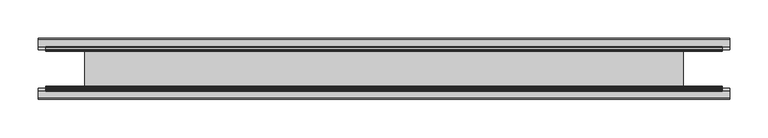
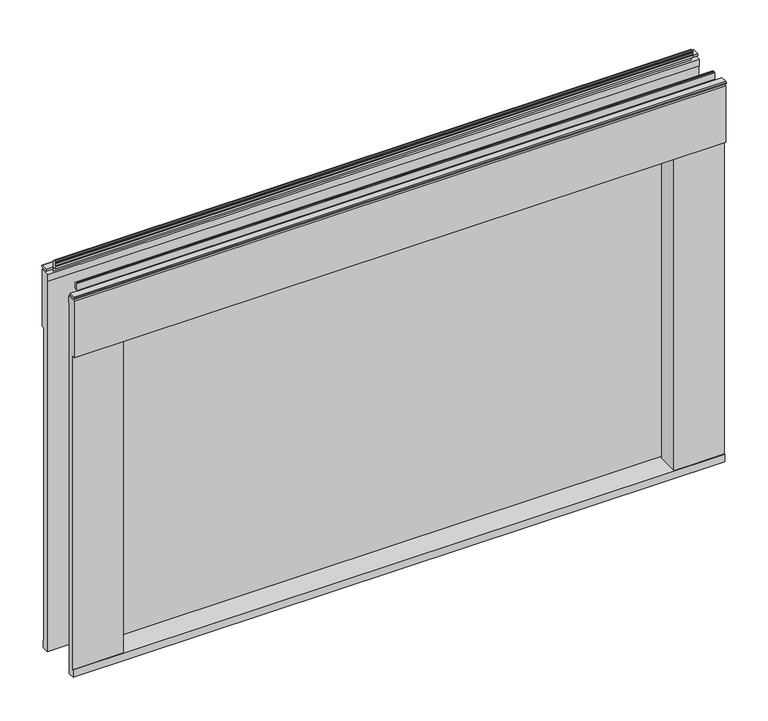
"""IFC4 building model written with IfcOpenShell, lengths in millimetres: furniture geometry."""

from ifc_helpers import new_model, si_unit, frame, origin, place, context, project, spatial, polyline, outline, extrude, faceted_brep, source, transform, mapped, element, save


def furniture_fa7d4b05(model_context):
    return source(origin(), model_context, "Body", "SolidModel", [
        extrude(outline(polyline([(-237.8709821, 36.2018407), (542.6709821, 36.2018407), (542.6709821, 33.0268415), (-237.8709821, 33.0268415), (-237.8709821, 36.2018407)])), frame((0.0, 0.0, 1146.3020109), z_axis=(0.0, 0.0, 1.0), x_axis=(1.0, 0.0, 0.0)), (0.0, 0.0, 1.0), 474.7259935),
        faceted_brep([(602.996, 8.0651816, 1686.2552003), (602.996, 8.0651816, 1143.8381927), (542.6709821, 8.0651816, 1143.8381927), (542.6709821, 8.0651816, 1621.6629947), (-237.8709821, 8.0651816, 1621.6629947), (-237.8709821, 8.0651816, 1143.8381927), (-298.196, 8.0651816, 1143.8381927), (-298.196, 8.0651816, 1686.2552003), (533.1460002, -0.3168185, 1612.9000121), (533.1460002, -0.3168185, 1154.8872108), (602.996, -0.3168185, 1154.8872108), (602.996, -0.3168185, 1612.9000121), (-228.3460002, -0.3168185, 1154.8872108), (-228.3460002, -0.3168185, 1612.9000121), (-298.196, -0.3168185, 1612.9000121), (-298.196, -0.3168185, 1154.8872108), (602.996, 9.461934, 1686.2552003), (602.996, 9.461934, 1695.7802003), (602.996, -3.7617339, 1695.7802003), (602.996, -3.7617339, 1612.9000121), (602.996, -1.206066, 1154.8872108), (602.996, -1.206066, 1143.8381927), (602.996, 59.5122543, 1695.7802003), (602.996, 59.5122543, 1686.2552003), (602.996, 60.9090067, 1686.2552003), (602.996, 60.9090067, 1143.8381927), (602.996, 70.1802522, 1143.8381927), (602.996, 70.1802522, 1154.8872108), (602.996, 69.2910068, 1154.8872108), (602.996, 69.2910068, 1612.9000121), (602.996, 72.7359223, 1612.9000121), (602.996, 72.7359223, 1695.7802003), (-298.196, -1.206066, 1143.8381927), (-237.8709821, 60.9090067, 1143.8381927), (-298.196, 60.9090067, 1143.8381927), (-298.196, 70.1802522, 1143.8381927), (542.6709821, 60.9090067, 1143.8381927), (-298.196, 9.461934, 1695.7802003), (-298.196, 9.461934, 1686.2552003), (-298.196, -1.206066, 1154.8872108), (-298.196, -3.7617339, 1612.9000121), (-298.196, -3.7617339, 1695.7802003), (-298.196, 60.9090067, 1686.2552003), (-298.196, 59.5122543, 1686.2552003), (-298.196, 59.5122543, 1695.7802003), (-298.196, 72.7359223, 1695.7802003), (-298.196, 72.7359223, 1612.9000121), (-298.196, 69.2910068, 1612.9000121), (-298.196, 69.2910068, 1154.8872108), (-298.196, 70.1802522, 1154.8872108), (-228.3460002, 28.7720935, 1612.9000121), (-237.8709821, 28.7720935, 1612.9000121), (-237.8709821, 33.0268415, 1612.9000121), (542.6709821, 33.0268415, 1612.9000121), (542.6709821, 28.7720935, 1612.9000121), (533.1460002, 28.7720935, 1612.9000121), (-228.3460002, 28.7720935, 1154.8872108), (533.1460002, 28.7720935, 1154.8872108), (542.6709821, 28.7720935, 1154.8872108), (542.6709821, 33.0268415, 1154.8872108), (-237.8709821, 33.0268415, 1154.8872108), (-237.8709821, 28.7720935, 1154.8872108), (533.1460002, 69.2910068, 1612.9000121), (533.1460002, 40.2020949, 1612.9000121), (542.6709821, 40.2020949, 1612.9000121), (542.6709821, 36.2018407, 1612.9000121), (-237.8709821, 36.2018407, 1612.9000121), (-237.8709821, 40.2020949, 1612.9000121), (-228.3460002, 40.2020949, 1612.9000121), (-228.3460002, 69.2910068, 1612.9000121), (-228.3460002, 69.2910068, 1154.8872108), (-228.3460002, 40.2020949, 1154.8872108), (-237.8709821, 40.2020949, 1154.8872108), (-237.8709821, 36.2018407, 1154.8872108), (542.6709821, 36.2018407, 1154.8872108), (542.6709821, 40.2020949, 1154.8872108), (533.1460002, 40.2020949, 1154.8872108), (533.1460002, 69.2910068, 1154.8872108), (-237.8709821, 60.9090067, 1621.6629947), (542.6709821, 60.9090067, 1621.6629947), (542.6709821, 33.0268415, 1621.0280044), (542.6709821, 36.2018407, 1621.0280044), (542.6709821, 36.2018407, 1146.3020109), (542.6709821, 33.0268415, 1146.3020109), (-237.8709821, 33.0268415, 1146.3020109), (-237.8709821, 36.2018407, 1146.3020109), (-237.8709821, 36.2018407, 1621.0280044), (-237.8709821, 33.0268415, 1621.0280044)], [[[0, 1, 2, 3, 4, 5, 6, 7]], [[8, 9, 10, 11]], [[12, 13, 14, 15]], [[0, 16, 17, 18, 19, 11, 10, 20, 21, 1]], [[22, 23, 24, 25, 26, 27, 28, 29, 30, 31]], [[21, 32, 6, 5, 33, 34, 35, 26, 25, 36, 2, 1]], [[37, 38, 7, 6, 32, 39, 15, 14, 40, 41]], [[42, 43, 44, 45, 46, 47, 48, 49, 35, 34]], [[17, 37, 41, 18]], [[8, 11, 19, 40, 14, 13, 50, 51, 52, 53, 54, 55]], [[50, 13, 12, 56]], [[56, 12, 15, 39, 20, 10, 9, 57, 58, 59, 60, 61]], [[57, 9, 8, 55]], [[16, 0, 7, 38]], [[17, 16, 38, 37]], [[44, 22, 31, 45]], [[23, 22, 44, 43]], [[24, 23, 43, 42]], [[19, 18, 41, 40]], [[30, 29, 62, 63, 64, 65, 66, 67, 68, 69, 47, 46]], [[31, 30, 46, 45]], [[21, 20, 39, 32]], [[28, 27, 49, 48, 70, 71, 72, 73, 74, 75, 76, 77]], [[27, 26, 35, 49]], [[69, 70, 48, 47]], [[77, 62, 29, 28]], [[25, 24, 42, 34, 33, 78, 79, 36]], [[70, 69, 68, 71]], [[62, 77, 76, 63]], [[71, 68, 67, 72]], [[63, 76, 75, 64]], [[2, 36, 79, 3], [59, 58, 54, 53, 80, 81, 65, 64, 75, 74, 82, 83]], [[78, 33, 5, 4], [52, 51, 61, 60, 84, 85, 73, 72, 67, 66, 86, 87]], [[3, 79, 78, 4]], [[82, 74, 73, 85]], [[83, 82, 85, 84]], [[59, 83, 84, 60]], [[80, 53, 52, 87]], [[81, 80, 87, 86]], [[65, 81, 86, 66]], [[50, 56, 61, 51]], [[57, 55, 54, 58]]]),
        extrude(outline(polyline([(63.4179323, 1701.8), (63.4179323, 1695.7802003), (62.6241823, 1695.7802003), (62.6241823, 1701.5669239), (61.8304323, 1701.8), (61.8304323, 1702.6663244), (58.1955501, 1702.6663244), (57.2995781, 1703.1836103), (58.569578, 1705.3833307), (58.7351872, 1706.5863459), (58.011828, 1709.5447591), (58.0987753, 1710.9461816), (58.9657521, 1712.0506926), (60.3064315, 1712.468), (61.8304323, 1712.468), (62.6241823, 1711.67425), (62.6241823, 1701.8), (63.4179323, 1701.8)])), frame((-288.671, 0.0, 0.0), z_axis=(1.0, 0.0, 0.0), x_axis=(0.0, 1.0, 0.0)), (0.0, 0.0, 1.0), 882.142),
        extrude(outline(polyline([(63.4179323, 1701.8), (72.9492921, 1701.8), (74.3234223, 1701.0066395), (74.3234223, 1699.4183657), (72.9492824, 1698.6249996), (63.4179323, 1698.6249996), (63.4179323, 1701.8)])), frame((-298.196, 0.0, 0.0), z_axis=(1.0, 0.0, 0.0), x_axis=(0.0, 1.0, 0.0)), (0.0, 0.0, 1.0), 901.192),
        extrude(outline(polyline([(5.5562561, 1701.8), (6.3500061, 1701.8), (6.3500061, 1711.67425), (7.1437561, 1712.468), (8.6677569, 1712.468), (10.0084363, 1712.0506926), (10.875413, 1710.9461816), (10.9623604, 1709.5447591), (10.2390011, 1706.5863459), (10.4046103, 1705.3833307), (11.6746103, 1703.1836103), (10.7786383, 1702.6663244), (7.1437561, 1702.6663244), (7.1437561, 1701.8), (6.3500061, 1701.5669239), (6.3500061, 1695.7802003), (5.5562561, 1695.7802003), (5.5562561, 1701.8)])), frame((-288.671, 0.0, 0.0), z_axis=(1.0, 0.0, 0.0), x_axis=(0.0, 1.0, 0.0)), (0.0, 0.0, 1.0), 882.142),
        extrude(outline(polyline([(5.5562561, 1701.8), (5.5562561, 1698.6249996), (-3.975094, 1698.6249996), (-5.3492339, 1699.4183657), (-5.3492339, 1701.0066395), (-3.9751037, 1701.8), (5.5562561, 1701.8)])), frame((-298.196, 0.0, 0.0), z_axis=(1.0, 0.0, 0.0), x_axis=(0.0, 1.0, 0.0)), (0.0, 0.0, 1.0), 901.192),
    ])


if __name__ == "__main__":
    model = new_model("IFC4")
    model_context = context("Model", 3, world=origin())
    ifc_project = project(units=[si_unit("LENGTHUNIT", "METRE", prefix="MILLI")], contexts=[model_context])
    site = spatial("IfcSite", under=ifc_project)
    building = spatial("IfcBuilding", under=site)
    placement = place(None, origin())
    furniture_shape = furniture_fa7d4b05(model_context)
    element("IfcFurniture", 1, at=placement, inside=building, context=model_context, shape_type="MappedRepresentation", body=[
        mapped(furniture_shape, transform((0.0, 0.0, 0.0), x_axis=(1.0, 0.0, 0.0), y_axis=(0.0, 1.0, 0.0), z_axis=(0.0, 0.0, 1.0))),
    ])
    save(model, "model.ifc")
